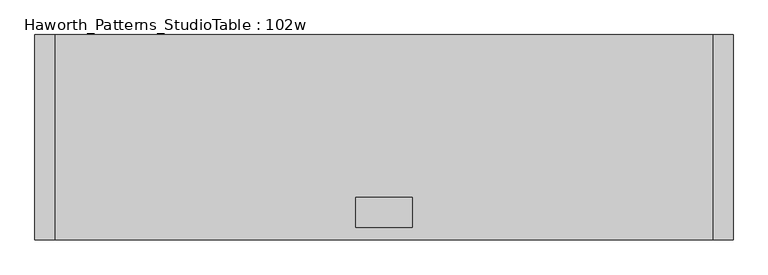
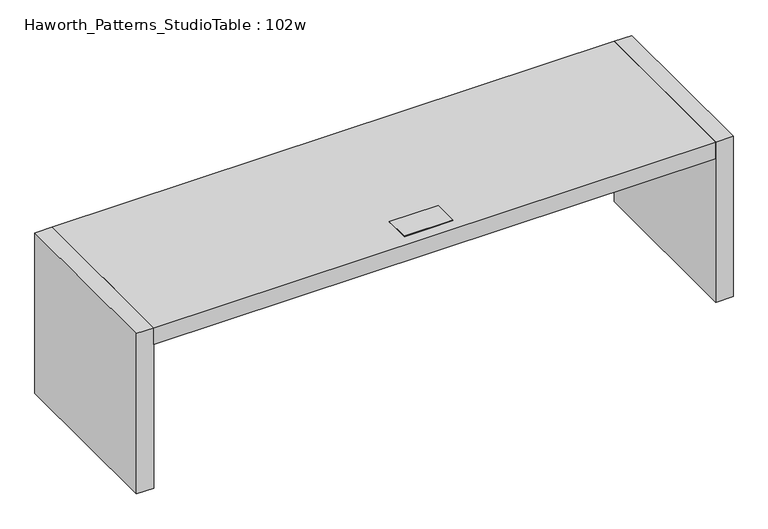
"""IFC4 building model written with IfcOpenShell, lengths in millimetres: furniture geometry, Haworth_Patterns_StudioTable : 102w."""

from ifc_helpers import new_model, si_unit, frame, origin, origin_with_axes, place, context, project, spatial, polyline, outline, extrude, faceted_brep, source, transform, mapped, element, save


def haworth_patterns_studiotable_102w_6143fafe(model_context):
    return source(origin(), model_context, "Body", "SolidModel", [
        faceted_brep([(102.39375, 152.4, 666.75), (102.39375, 152.4, 736.6), (102.39375, 50.8, 736.6), (102.39375, 50.8, 666.75), (105.56875, 46.0375, 739.775), (105.56875, 157.1625, 739.775), (-105.56875, 157.1625, 739.775), (-105.56875, 46.0375, 739.775), (105.56875, 46.0375, 736.6), (-105.56875, 46.0375, 736.6), (-105.56875, 157.1625, 736.6), (105.56875, 157.1625, 736.6), (-102.39375, 152.4, 736.6), (-102.39375, 50.8, 736.6), (-102.39375, 50.8, 666.75), (-102.39375, 152.4, 666.75)], [[[0, 1, 2, 3]], [[4, 5, 6, 7]], [[8, 9, 10, 11], [2, 1, 12, 13]], [[7, 9, 8, 4]], [[6, 10, 9, 7]], [[5, 11, 10, 6]], [[4, 8, 11, 5]], [[3, 14, 15, 0]], [[3, 2, 13, 14]], [[14, 13, 12, 15]], [[15, 12, 1, 0]]]),
        extrude(outline(polyline([(1219.2, 0.0), (-1219.2, 0.0), (-1219.2, 762.0), (1219.2, 762.0), (1219.2, 0.0)])), frame((0.0, 0.0, 660.4), z_axis=(0.0, 0.0, 1.0), x_axis=(1.0, 0.0, 0.0)), (0.0, 0.0, 1.0), 76.2),
        extrude(outline(polyline([(1219.2, 0.0), (1219.2, 762.0), (1295.4, 762.0), (1295.4, 0.0), (1219.2, 0.0)])), origin_with_axes(), (0.0, 0.0, 1.0), 736.6),
        extrude(outline(polyline([(-1219.2, 0.0), (-1295.4, 0.0), (-1295.4, 762.0), (-1219.2, 762.0), (-1219.2, 0.0)])), origin_with_axes(), (0.0, 0.0, 1.0), 736.6),
    ])


if __name__ == "__main__":
    model = new_model("IFC4")
    model_context = context("Model", 3, world=origin())
    ifc_project = project(units=[si_unit("LENGTHUNIT", "METRE", prefix="MILLI")], contexts=[model_context])
    site = spatial("IfcSite", under=ifc_project)
    building = spatial("IfcBuilding", under=site)
    placement = place(None, origin())
    haworth_patterns_studiotable_102w_shape = haworth_patterns_studiotable_102w_6143fafe(model_context)
    element("IfcFurniture", 1, ObjectType="Haworth_Patterns_StudioTable : 102w", at=placement, inside=building, context=model_context, shape_type="MappedRepresentation", body=[
        mapped(haworth_patterns_studiotable_102w_shape, transform((0.0, 0.0, 0.0), x_axis=(1.0, 0.0, 0.0), y_axis=(0.0, 1.0, 0.0), z_axis=(0.0, 0.0, 1.0))),
    ])
    save(model, "model.ifc")
